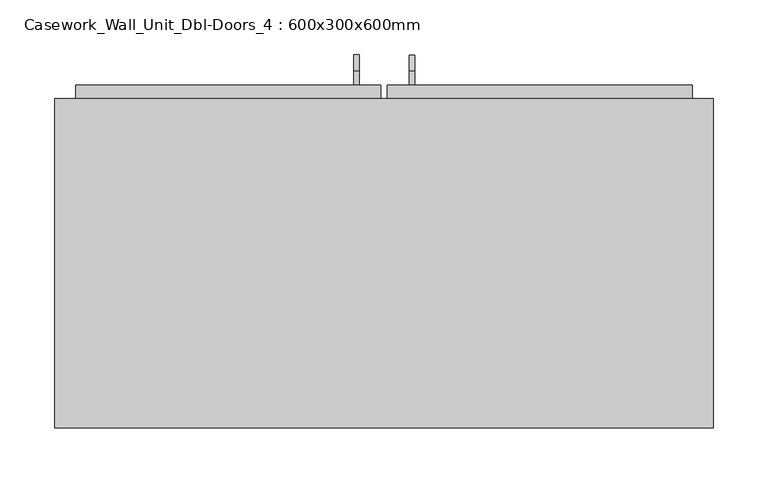
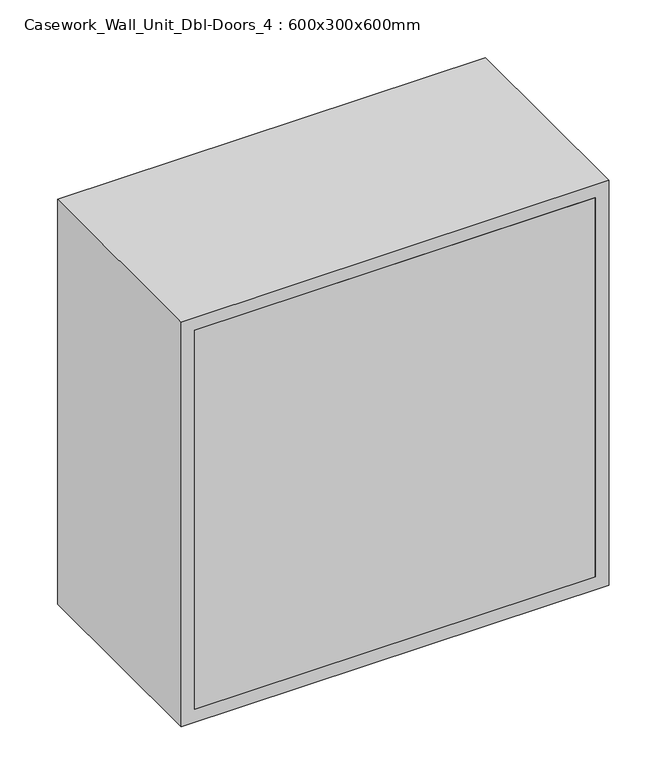
"""IFC4 building model written with IfcOpenShell, lengths in millimetres: furniture geometry, Casework_Wall_Unit_Dbl-Doors_4 : 600x300x600mm."""

from ifc_helpers import new_model, si_unit, frame, origin, place, context, project, spatial, polyline, circle_curve, outline, extrude, faceted_brep, source, transform, mapped, element, save
from ifc_brep_helpers import plane_surface, cylinder_surface, revolved_surface, advanced_brep


def casework_wall_unit_dbl_doors_4_600x300x600mm_ccc6c285(model_context):
    return source(origin(), model_context, "Body", "SolidModel", [
        faceted_brep([(32.9461628, 487.7, 1980.95), (310.7211628, 487.7, 1980.95), (310.7211628, 487.7, 1419.05), (32.9461628, 487.7, 1419.05), (261.0474684, 487.7, 1488.300002), (261.0474684, 487.7, 1943.300002), (231.0474684, 487.7, 1943.300002), (231.0474684, 487.7, 1488.300002), (82.6198572, 487.7, 1488.300002), (112.6198572, 487.7, 1488.300002), (112.6198572, 487.7, 1943.300002), (82.6198572, 487.7, 1943.300002), (264.009303, 487.7, 1446.142329), (264.009303, 487.7, 1451.142329), (79.009303, 487.7, 1451.142329), (79.009303, 487.7, 1446.142329), (32.9461628, 455.95, 1980.95), (32.9461628, 455.95, 1419.05), (310.7211628, 455.95, 1419.05), (310.7211628, 455.95, 1980.95), (261.0474684, 455.95, 1488.300002), (231.0474684, 455.95, 1488.300002), (231.0474684, 455.95, 1943.300002), (261.0474684, 455.95, 1943.300002), (82.6198572, 455.95, 1488.300002), (82.6198572, 455.95, 1943.300002), (112.6198572, 455.95, 1943.300002), (112.6198572, 455.95, 1488.300002), (264.009303, 484.7, 1446.142329), (79.009303, 484.7, 1446.142329), (79.009303, 484.7, 1451.142329), (264.009303, 484.7, 1451.142329)], [[[0, 1, 2, 3], [4, 5, 6, 7], [8, 9, 10, 11], [12, 13, 14, 15]], [[16, 17, 18, 19], [20, 21, 22, 23], [24, 25, 26, 27]], [[1, 0, 16, 19]], [[2, 1, 19, 18]], [[3, 2, 18, 17]], [[0, 3, 17, 16]], [[5, 4, 20, 23]], [[6, 5, 23, 22]], [[7, 6, 22, 21]], [[4, 7, 21, 20]], [[9, 8, 24, 27]], [[10, 9, 27, 26]], [[11, 10, 26, 25]], [[8, 11, 25, 24]], [[28, 29, 30, 31]], [[28, 31, 13, 12]], [[31, 30, 14, 13]], [[30, 29, 15, 14]], [[29, 28, 12, 15]]]),
        faceted_brep([(26.5961628, 487.7, 1980.95), (26.5961628, 487.7, 1419.05), (-251.1788372, 487.7, 1419.05), (-251.1788372, 487.7, 1980.95), (-201.5051428, 487.7, 1488.300002), (-171.5051428, 487.7, 1488.300002), (-171.5051428, 487.7, 1943.300002), (-201.5051428, 487.7, 1943.300002), (-23.0775316, 487.7, 1488.300002), (-23.0775316, 487.7, 1943.300002), (-53.0775316, 487.7, 1943.300002), (-53.0775316, 487.7, 1488.300002), (-204.4669774, 487.7, 1451.142329), (-204.4669774, 487.7, 1446.142329), (-19.4669774, 487.7, 1446.142329), (-19.4669774, 487.7, 1451.142329), (26.5961628, 455.95, 1980.95), (-251.1788372, 455.95, 1980.95), (-251.1788372, 455.95, 1419.05), (26.5961628, 455.95, 1419.05), (-201.5051428, 455.95, 1488.300002), (-201.5051428, 455.95, 1943.300002), (-171.5051428, 455.95, 1943.300002), (-171.5051428, 455.95, 1488.300002), (-23.0775316, 455.95, 1488.300002), (-53.0775316, 455.95, 1488.300002), (-53.0775316, 455.95, 1943.300002), (-23.0775316, 455.95, 1943.300002), (-204.4669774, 484.7, 1446.142329), (-204.4669774, 484.7, 1451.142329), (-19.4669774, 484.7, 1451.142329), (-19.4669774, 484.7, 1446.142329)], [[[0, 1, 2, 3], [4, 5, 6, 7], [8, 9, 10, 11], [12, 13, 14, 15]], [[16, 17, 18, 19], [20, 21, 22, 23], [24, 25, 26, 27]], [[1, 0, 16, 19]], [[2, 1, 19, 18]], [[3, 2, 18, 17]], [[0, 3, 17, 16]], [[5, 4, 20, 23]], [[6, 5, 23, 22]], [[7, 6, 22, 21]], [[4, 7, 21, 20]], [[9, 8, 24, 27]], [[10, 9, 27, 26]], [[11, 10, 26, 25]], [[8, 11, 25, 24]], [[28, 29, 30, 31]], [[29, 28, 13, 12]], [[30, 29, 12, 15]], [[31, 30, 15, 14]], [[28, 31, 14, 13]]]),
        extrude(outline(polyline([(310.7211628, 175.0), (-251.1788372, 175.0), (-251.1788372, 194.05), (310.7211628, 194.05), (310.7211628, 175.0)])), frame((0.0, 0.0, 1419.05), z_axis=(0.0, 0.0, 1.0), x_axis=(1.0, 0.0, 0.0)), (0.0, 0.0, 1.0), 561.9),
        extrude(outline(polyline([(2000.0, -270.2288372), (1400.0, -270.2288372), (1400.0, 329.7711628), (2000.0, 329.7711628), (2000.0, -270.2288372)]), holes=[polyline([(1980.95, -251.1788372), (1980.95, 310.7211628), (1419.05, 310.7211628), (1419.05, -251.1788372), (1980.95, -251.1788372)])]), frame((0.0, 175.0, 0.0), z_axis=(0.0, 1.0, 0.0), x_axis=(0.0, 0.0, 1.0)), (0.0, 0.0, 1.0), 300.0),
        extrude(outline(polyline([(-201.5051428, 480.0), (-171.5051428, 480.0), (-171.5051428, 475.0), (-201.5051428, 475.0), (-201.5051428, 480.0)])), frame((0.0, 0.0, 1488.300002), z_axis=(0.0, 0.0, 1.0), x_axis=(1.0, 0.0, 0.0)), (0.0, 0.0, 1.0), 455.0),
        extrude(outline(polyline([(-53.0775316, 480.0), (-23.0775316, 480.0), (-23.0775316, 475.0), (-53.0775316, 475.0), (-53.0775316, 480.0)])), frame((0.0, 0.0, 1488.300002), z_axis=(0.0, 0.0, 1.0), x_axis=(1.0, 0.0, 0.0)), (0.0, 0.0, 1.0), 455.0),
        extrude(outline(polyline([(82.6198572, 480.0), (112.6198572, 480.0), (112.6198572, 475.0), (82.6198572, 475.0), (82.6198572, 480.0)])), frame((0.0, 0.0, 1488.300002), z_axis=(0.0, 0.0, 1.0), x_axis=(1.0, 0.0, 0.0)), (0.0, 0.0, 1.0), 455.0),
        extrude(outline(polyline([(231.0474684, 480.0), (261.0474684, 480.0), (261.0474684, 475.0), (231.0474684, 475.0), (231.0474684, 480.0)])), frame((0.0, 0.0, 1488.300002), z_axis=(0.0, 0.0, 1.0), x_axis=(1.0, 0.0, 0.0)), (0.0, 0.0, 1.0), 455.0),
        advanced_brep(
        [(52.6003194, 514.6555456, 1950.600002), (57.6003194, 514.6555456, 1950.600002), (57.6003194, 514.6555456, 1463.5), (52.6003194, 514.6555456, 1463.5), (57.6003194, 509.6555456, 1950.600002), (57.6003194, 509.6555456, 1463.5), (52.6003194, 500.4, 1449.2444544), (57.6003194, 500.4, 1449.2444544), (52.6003194, 509.6555456, 1950.600002), (52.6003194, 509.6555456, 1463.5), (52.6003194, 500.4, 1454.2444544), (57.6003194, 500.4, 1454.2444544), (57.6003194, 487.7, 1449.2444544), (52.6003194, 487.7, 1449.2444544), (52.6003194, 487.7, 1454.2444544), (57.6003194, 487.7, 1454.2444544), (57.6003194, 487.7, 1964.8555476), (52.6003194, 487.7, 1964.8555476), (52.6003194, 487.7, 1959.8555476), (57.6003194, 487.7, 1959.8555476), (57.6003194, 500.4, 1964.8555476), (52.6003194, 500.4, 1964.8555476), (52.6003194, 500.4, 1959.8555476), (57.6003194, 500.4, 1959.8555476)],
        [
            (0, 1),
            (1, 2),
            (2, 3),
            (3, 0),
            (1, 4),
            (4, 5),
            (5, 2),
            (6, 3, circle_curve(frame((52.6003194, 500.4, 1463.5), z_axis=(1.0, 0.0, 0.0), x_axis=(0.0, 1.0, 0.0)), 14.2555456)),
            (2, 7, circle_curve(frame((57.6003194, 500.4, 1463.5), z_axis=(-1.0, 0.0, 0.0), x_axis=(0.0, 1.0, 0.0)), 14.2555456)),
            (7, 6),
            (8, 0),
            (3, 9),
            (9, 8),
            (10, 9, circle_curve(frame((52.6003194, 500.4, 1463.5), z_axis=(1.0, 0.0, 0.0), x_axis=(0.0, 1.0, 0.0)), 9.2555456)),
            (6, 10),
            (4, 8),
            (9, 5),
            (11, 5, circle_curve(frame((57.6003194, 500.4, 1463.5), z_axis=(1.0, 0.0, 0.0), x_axis=(0.0, 1.0, 0.0)), 9.2555456)),
            (10, 11),
            (11, 7),
            (7, 12),
            (12, 13),
            (13, 6),
            (13, 14),
            (14, 10),
            (14, 15),
            (15, 11),
            (15, 12),
            (16, 17),
            (17, 18),
            (18, 19),
            (19, 16),
            (16, 20),
            (20, 21),
            (21, 17),
            (21, 22),
            (22, 18),
            (22, 23),
            (23, 19),
            (23, 20),
            (0, 21, circle_curve(frame((52.6003194, 500.4, 1950.600002), z_axis=(1.0, 0.0, 0.0), x_axis=(0.0, 0.0, 1.0)), 14.2555456)),
            (20, 1, circle_curve(frame((57.6003194, 500.4, 1950.600002), z_axis=(-1.0, 0.0, 0.0), x_axis=(0.0, 0.0, 1.0)), 14.2555456)),
            (8, 22, circle_curve(frame((52.6003194, 500.4, 1950.600002), z_axis=(1.0, 0.0, 0.0), x_axis=(0.0, 0.0, 1.0)), 9.2555456)),
            (4, 23, circle_curve(frame((57.6003194, 500.4, 1950.600002), z_axis=(1.0, 0.0, 0.0), x_axis=(0.0, 0.0, 1.0)), 9.2555456)),
        ],
        [
            plane_surface(frame((57.6003194, 514.6555456, 1950.600002), z_axis=(0.0, 1.0, 0.0), x_axis=(0.0, 0.0, -1.0))),
            plane_surface(frame((57.6003194, 509.6555456, 1950.600002), z_axis=(1.0, 0.0, 0.0), x_axis=(0.0, 0.0, -1.0))),
            cylinder_surface(frame((55.1711628, 500.4, 1463.5), z_axis=(-1.0, 0.0, 0.0), x_axis=(0.0, 1.0, 0.0)), 14.2555456),
            plane_surface(frame((52.6003194, 514.6555456, 1950.600002), z_axis=(-1.0, 0.0, 0.0), x_axis=(0.0, 0.0, -1.0))),
            plane_surface(frame((52.6003194, 500.4, 1463.5), z_axis=(-1.0, 0.0, 0.0), x_axis=(0.0, 1.0, 0.0))),
            plane_surface(frame((52.6003194, 509.6555456, 1950.600002), z_axis=(0.0, -1.0, 0.0), x_axis=(0.0, 0.0, -1.0))),
            revolved_surface(polyline([(52.6003194, 509.6555456, 1463.5), (57.6003194, 509.6555456, 1463.5)]), (55.1711628, 500.4, 1463.5), (-1.0, 0.0, 0.0)),
            plane_surface(frame((57.6003194, 500.4, 1463.5), z_axis=(1.0, 0.0, 0.0), x_axis=(0.0, 1.0, 0.0))),
            plane_surface(frame((57.6003194, 500.4, 1449.2444544), z_axis=(0.0, 0.0, -1.0), x_axis=(0.0, -1.0, 0.0))),
            plane_surface(frame((52.6003194, 500.4, 1449.2444544), z_axis=(-1.0, 0.0, 0.0), x_axis=(0.0, -1.0, 0.0))),
            plane_surface(frame((52.6003194, 500.4, 1454.2444544), z_axis=(0.0, 0.0, 1.0), x_axis=(0.0, -1.0, 0.0))),
            plane_surface(frame((57.6003194, 500.4, 1454.2444544), z_axis=(1.0, 0.0, 0.0), x_axis=(0.0, -1.0, 0.0))),
            plane_surface(frame((50.8730816, 487.7, 1450.8), z_axis=(0.0, -1.0, 0.0), x_axis=(0.0, 0.0, -1.0))),
            plane_surface(frame((50.8730816, 487.7, 1963.300002), z_axis=(0.0, -1.0, 0.0), x_axis=(0.0, 0.0, 1.0))),
            plane_surface(frame((57.6003194, 487.7, 1964.8555476), z_axis=(0.0, 0.0, 1.0), x_axis=(0.0, 1.0, 0.0))),
            plane_surface(frame((52.6003194, 487.7, 1964.8555476), z_axis=(-1.0, 0.0, 0.0), x_axis=(0.0, 1.0, 0.0))),
            plane_surface(frame((52.6003194, 487.7, 1959.8555476), z_axis=(0.0, 0.0, -1.0), x_axis=(0.0, 1.0, 0.0))),
            plane_surface(frame((57.6003194, 487.7, 1959.8555476), z_axis=(1.0, 0.0, 0.0), x_axis=(0.0, 1.0, 0.0))),
            cylinder_surface(frame((55.1711628, 500.4, 1950.600002), z_axis=(-1.0, 0.0, 0.0), x_axis=(0.0, 0.0, 1.0)), 14.2555456),
            plane_surface(frame((52.6003194, 500.4, 1950.600002), z_axis=(-1.0, 0.0, 0.0), x_axis=(0.0, 0.0, 1.0))),
            revolved_surface(polyline([(52.6003194, 500.4, 1959.8555476), (57.6003194, 500.4, 1959.8555476)]), (55.1711628, 500.4, 1950.600002), (-1.0, 0.0, 0.0)),
            plane_surface(frame((57.6003194, 500.4, 1950.600002), z_axis=(1.0, 0.0, 0.0), x_axis=(0.0, 0.0, 1.0))),
        ],
        [
            (0, [[1, 2, 3, 4]]),
            (1, [[5, 6, 7, -2]]),
            (2, [[8, -3, 9, 10]]),
            (3, [[11, -4, 12, 13]]),
            (4, [[14, -12, -8, 15]]),
            (5, [[16, -13, 17, -6]]),
            (6, [[18, -17, -14, 19]]),
            (7, [[-9, -7, -18, 20]]),
            (8, [[-10, 21, 22, 23]]),
            (9, [[-15, -23, 24, 25]]),
            (10, [[-19, -25, 26, 27]]),
            (11, [[-20, -27, 28, -21]]),
            (12, [[-28, -26, -24, -22]]),
            (13, [[29, 30, 31, 32]]),
            (14, [[-29, 33, 34, 35]]),
            (15, [[-30, -35, 36, 37]]),
            (16, [[-31, -37, 38, 39]]),
            (17, [[-32, -39, 40, -33]]),
            (18, [[41, -34, 42, -1]]),
            (19, [[43, -36, -41, -11]]),
            (20, [[44, -38, -43, -16]]),
            (21, [[-42, -40, -44, -5]]),
        ],
    ),
        advanced_brep(
        [(2.0886631, 515.1975666, 1949.2339612), (7.0886631, 515.1975666, 1949.2339612), (7.0886631, 515.1975666, 1463.5), (2.0886631, 515.1975666, 1463.5), (7.0886631, 510.1975666, 1949.2339612), (7.0886631, 510.1975666, 1463.5), (2.0886631, 500.4, 1448.7024334), (7.0886631, 500.4, 1448.7024334), (2.0886631, 510.1975666, 1949.2339612), (2.0886631, 510.1975666, 1463.5), (2.0886631, 500.4, 1453.7024334), (7.0886631, 500.4, 1453.7024334), (7.0886631, 487.7, 1448.7024334), (2.0886631, 487.7, 1448.7024334), (2.0886631, 487.7, 1453.7024334), (7.0886631, 487.7, 1453.7024334), (7.0886631, 487.7, 1964.0315278), (2.0886631, 487.7, 1964.0315278), (2.0886631, 487.7, 1959.0315278), (7.0886631, 487.7, 1959.0315278), (7.0886631, 500.4, 1964.0315278), (2.0886631, 500.4, 1964.0315278), (2.0886631, 500.4, 1959.0315278), (7.0886631, 500.4, 1959.0315278)],
        [
            (0, 1),
            (1, 2),
            (2, 3),
            (3, 0),
            (1, 4),
            (4, 5),
            (5, 2),
            (6, 3, circle_curve(frame((2.0886631, 500.4, 1463.5), z_axis=(1.0, 0.0, 0.0), x_axis=(0.0, 1.0, 0.0)), 14.7975666)),
            (2, 7, circle_curve(frame((7.0886631, 500.4, 1463.5), z_axis=(-1.0, 0.0, 0.0), x_axis=(0.0, 1.0, 0.0)), 14.7975666)),
            (7, 6),
            (8, 0),
            (3, 9),
            (9, 8),
            (10, 9, circle_curve(frame((2.0886631, 500.4, 1463.5), z_axis=(1.0, 0.0, 0.0), x_axis=(0.0, 1.0, 0.0)), 9.7975666)),
            (6, 10),
            (4, 8),
            (9, 5),
            (11, 5, circle_curve(frame((7.0886631, 500.4, 1463.5), z_axis=(1.0, 0.0, 0.0), x_axis=(0.0, 1.0, 0.0)), 9.7975666)),
            (10, 11),
            (11, 7),
            (7, 12),
            (12, 13),
            (13, 6),
            (13, 14),
            (14, 10),
            (14, 15),
            (15, 11),
            (15, 12),
            (16, 17),
            (17, 18),
            (18, 19),
            (19, 16),
            (16, 20),
            (20, 21),
            (21, 17),
            (21, 22),
            (22, 18),
            (22, 23),
            (23, 19),
            (23, 20),
            (0, 21, circle_curve(frame((2.0886631, 500.4, 1949.2339612), z_axis=(1.0, 0.0, 0.0), x_axis=(0.0, 0.0, 1.0)), 14.7975666)),
            (20, 1, circle_curve(frame((7.0886631, 500.4, 1949.2339612), z_axis=(-1.0, 0.0, 0.0), x_axis=(0.0, 0.0, 1.0)), 14.7975666)),
            (8, 22, circle_curve(frame((2.0886631, 500.4, 1949.2339612), z_axis=(1.0, 0.0, 0.0), x_axis=(0.0, 0.0, 1.0)), 9.7975666)),
            (4, 23, circle_curve(frame((7.0886631, 500.4, 1949.2339612), z_axis=(1.0, 0.0, 0.0), x_axis=(0.0, 0.0, 1.0)), 9.7975666)),
        ],
        [
            plane_surface(frame((7.0886631, 515.1975666, 1949.2339612), z_axis=(0.0, 1.0, 0.0), x_axis=(0.0, 0.0, -1.0))),
            plane_surface(frame((7.0886631, 510.1975666, 1949.2339612), z_axis=(1.0, 0.0, 0.0), x_axis=(0.0, 0.0, -1.0))),
            cylinder_surface(frame((4.3711628, 500.4, 1463.5), z_axis=(-1.0, 0.0, 0.0), x_axis=(0.0, 1.0, 0.0)), 14.7975666),
            plane_surface(frame((2.0886631, 515.1975666, 1949.2339612), z_axis=(-1.0, 0.0, 0.0), x_axis=(0.0, 0.0, -1.0))),
            plane_surface(frame((2.0886631, 500.4, 1463.5), z_axis=(-1.0, 0.0, 0.0), x_axis=(0.0, 1.0, 0.0))),
            plane_surface(frame((2.0886631, 510.1975666, 1949.2339612), z_axis=(0.0, -1.0, 0.0), x_axis=(0.0, 0.0, -1.0))),
            revolved_surface(polyline([(2.0886631, 510.19756659999996, 1463.5), (7.0886631, 510.19756659999996, 1463.5)]), (4.3711628, 500.4, 1463.5), (-1.0, 0.0, 0.0)),
            plane_surface(frame((7.0886631, 500.4, 1463.5), z_axis=(1.0, 0.0, 0.0), x_axis=(0.0, 1.0, 0.0))),
            plane_surface(frame((7.0886631, 500.4, 1448.7024334), z_axis=(0.0, 0.0, -1.0), x_axis=(0.0, -1.0, 0.0))),
            plane_surface(frame((2.0886631, 500.4, 1448.7024334), z_axis=(-1.0, 0.0, 0.0), x_axis=(0.0, -1.0, 0.0))),
            plane_surface(frame((2.0886631, 500.4, 1453.7024334), z_axis=(0.0, 0.0, 1.0), x_axis=(0.0, -1.0, 0.0))),
            plane_surface(frame((7.0886631, 500.4, 1453.7024334), z_axis=(1.0, 0.0, 0.0), x_axis=(0.0, -1.0, 0.0))),
            plane_surface(frame((0.3951185, 487.7, 1450.8), z_axis=(0.0, -1.0, 0.0), x_axis=(0.0, 0.0, -1.0))),
            plane_surface(frame((0.3951185, 487.7, 1961.9339612), z_axis=(0.0, -1.0, 0.0), x_axis=(0.0, 0.0, 1.0))),
            plane_surface(frame((7.0886631, 487.7, 1964.0315278), z_axis=(0.0, 0.0, 1.0), x_axis=(0.0, 1.0, 0.0))),
            plane_surface(frame((2.0886631, 487.7, 1964.0315278), z_axis=(-1.0, 0.0, 0.0), x_axis=(0.0, 1.0, 0.0))),
            plane_surface(frame((2.0886631, 487.7, 1959.0315278), z_axis=(0.0, 0.0, -1.0), x_axis=(0.0, 1.0, 0.0))),
            plane_surface(frame((7.0886631, 487.7, 1959.0315278), z_axis=(1.0, 0.0, 0.0), x_axis=(0.0, 1.0, 0.0))),
            cylinder_surface(frame((4.3711628, 500.4, 1949.2339612), z_axis=(-1.0, 0.0, 0.0), x_axis=(0.0, 0.0, 1.0)), 14.7975666),
            plane_surface(frame((2.0886631, 500.4, 1949.2339612), z_axis=(-1.0, 0.0, 0.0), x_axis=(0.0, 0.0, 1.0))),
            revolved_surface(polyline([(2.0886631, 500.4, 1959.0315278), (7.0886631, 500.4, 1959.0315278)]), (4.3711628, 500.4, 1949.2339612), (-1.0, 0.0, 0.0)),
            plane_surface(frame((7.0886631, 500.4, 1949.2339612), z_axis=(1.0, 0.0, 0.0), x_axis=(0.0, 0.0, 1.0))),
        ],
        [
            (0, [[1, 2, 3, 4]]),
            (1, [[5, 6, 7, -2]]),
            (2, [[8, -3, 9, 10]]),
            (3, [[11, -4, 12, 13]]),
            (4, [[14, -12, -8, 15]]),
            (5, [[16, -13, 17, -6]]),
            (6, [[18, -17, -14, 19]]),
            (7, [[-9, -7, -18, 20]]),
            (8, [[-10, 21, 22, 23]]),
            (9, [[-15, -23, 24, 25]]),
            (10, [[-19, -25, 26, 27]]),
            (11, [[-20, -27, 28, -21]]),
            (12, [[-28, -26, -24, -22]]),
            (13, [[29, 30, 31, 32]]),
            (14, [[-29, 33, 34, 35]]),
            (15, [[-30, -35, 36, 37]]),
            (16, [[-31, -37, 38, 39]]),
            (17, [[-32, -39, 40, -33]]),
            (18, [[41, -34, 42, -1]]),
            (19, [[43, -36, -41, -11]]),
            (20, [[44, -38, -43, -16]]),
            (21, [[-42, -40, -44, -5]]),
        ],
    ),
    ])


if __name__ == "__main__":
    model = new_model("IFC4")
    model_context = context("Model", 3, world=origin())
    ifc_project = project(units=[si_unit("LENGTHUNIT", "METRE", prefix="MILLI")], contexts=[model_context])
    site = spatial("IfcSite", under=ifc_project)
    building = spatial("IfcBuilding", under=site)
    placement = place(None, origin())
    casework_wall_unit_dbl_doors_4_600x300x600mm_shape = casework_wall_unit_dbl_doors_4_600x300x600mm_ccc6c285(model_context)
    element("IfcFurniture", 1, ObjectType="Casework_Wall_Unit_Dbl-Doors_4 : 600x300x600mm", at=placement, inside=building, context=model_context, shape_type="MappedRepresentation", body=[
        mapped(casework_wall_unit_dbl_doors_4_600x300x600mm_shape, transform((0.0, 0.0, 0.0), x_axis=(1.0, 0.0, 0.0), y_axis=(0.0, 1.0, 0.0), z_axis=(0.0, 0.0, 1.0))),
    ])
    save(model, "model.ifc")
